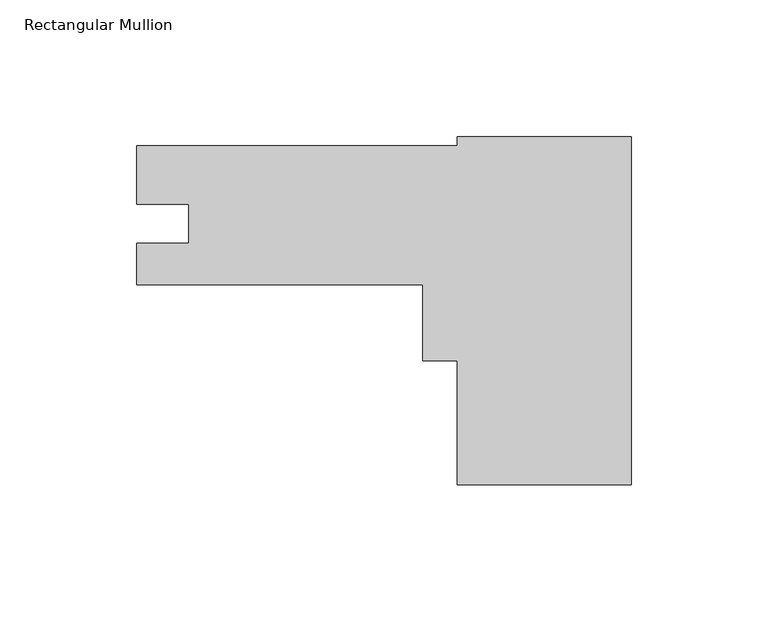
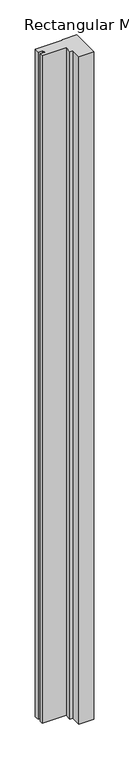
"""IFC4 building model written with IfcOpenShell, lengths in millimetres: member geometry, Rectangular Mullion."""

from ifc_helpers import new_model, si_unit, frame, origin, place, context, project, spatial, polyline, outline, extrude, source, transform, mapped, element, save


def rectangular_mullion_0a886293(model_context):
    return source(origin(), model_context, "Body", "SweptSolid", [
        extrude(outline(polyline([(-63.5, -73.0579576), (-63.5, -27.7622), (-76.2, -27.7622), (-76.2, -0.0326196), (-180.5555469, -0.0326196), (-180.5555469, 15.0676804), (-161.5309469, 15.0676804), (-161.5309469, 29.3805738), (-180.5555457, 29.3805738), (-180.5555457, 50.7673804), (-63.5, 50.7673804), (-63.5, 53.9420424), (0.0, 53.9420424), (0.0, -73.0579576), (-63.5, -73.0579576)])), frame((0.0, 0.0, -3048.0), z_axis=(0.0, 0.0, 1.0), x_axis=(1.0, 0.0, 0.0)), (0.0, 0.0, 1.0), 3048.0),
    ])


if __name__ == "__main__":
    model = new_model("IFC4")
    model_context = context("Model", 3, world=origin())
    ifc_project = project(units=[si_unit("LENGTHUNIT", "METRE", prefix="MILLI")], contexts=[model_context])
    site = spatial("IfcSite", under=ifc_project)
    building = spatial("IfcBuilding", under=site)
    placement = place(None, origin())
    rectangular_mullion_shape = rectangular_mullion_0a886293(model_context)
    element("IfcMember", 1, ObjectType="Rectangular Mullion", at=placement, inside=building, context=model_context, shape_type="MappedRepresentation", body=[
        mapped(rectangular_mullion_shape, transform((0.0, 0.0, 0.0), x_axis=(1.0, 0.0, 0.0), y_axis=(0.0, 1.0, 0.0), z_axis=(0.0, 0.0, 1.0))),
    ])
    save(model, "model.ifc")
